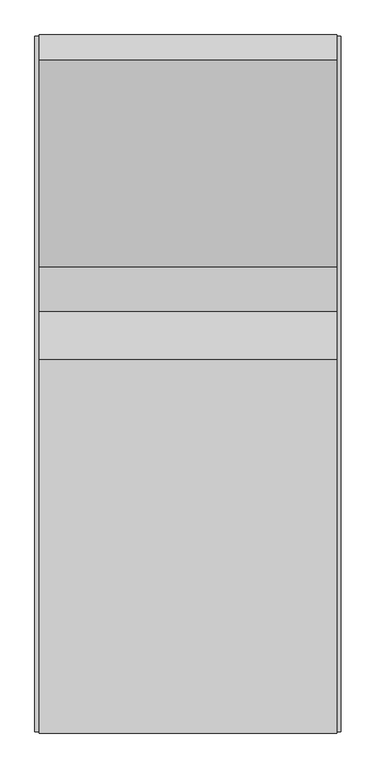
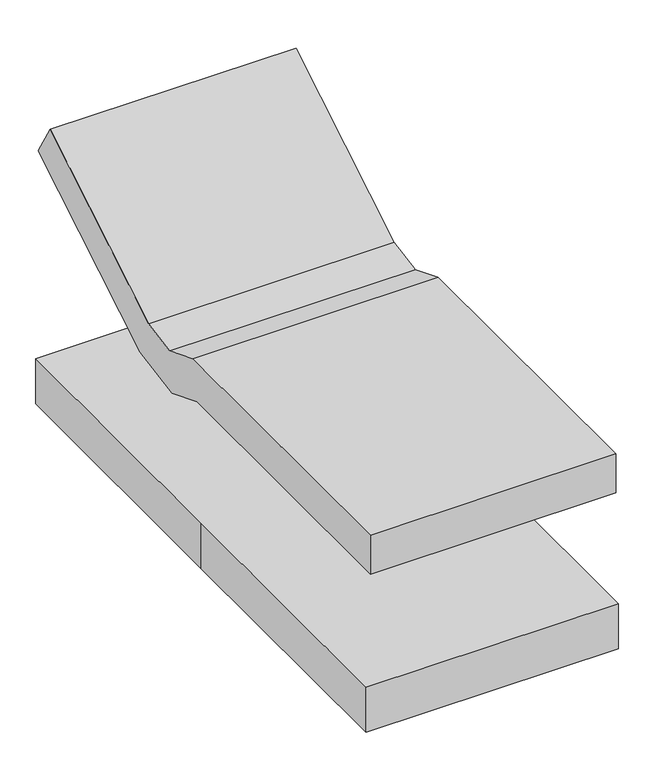
"""IFC4 building model written with IfcOpenShell, lengths in millimetres: proxy geometry."""

import ifcopenshell
import ifcopenshell.guid

model = None  # the IFC model being written
_history = None  # IfcOwnerHistory: only IFC2X3 demands one
_inside = {}  # id of a spatial element -> (the spatial element, [elements in it])
_under = {}  # id of a project, library or spatial element -> (it, [spatial elements below it])
_declared = {}  # id of a project -> (the project, [libraries it declares])
_typed = {}  # id of a type object -> (the type object, [elements of that type])
_made_of = {}  # id of a material, layer set ... -> (it, [elements and type objects made of it])


def new_model(schema):
    """Start an empty IFC model of exactly this schema.

    Asked for "IFC4X3", IfcOpenShell would pick the latest addendum, in which some entities
    have other attributes; the version numbers below select the first issue.
    IFC2X3 requires an IfcOwnerHistory on every rooted entity: one is made here for all.
    """
    global model, _history
    if schema == "IFC4X3":
        model = ifcopenshell.file(schema_version=(4, 3, 0, 0))
    else:
        model = ifcopenshell.file(schema=schema)
    _inside.clear()
    _under.clear()
    _declared.clear()
    _typed.clear()
    _made_of.clear()
    _history = None
    if model.schema == "IFC2X3":
        org = make("IfcOrganization", Name="unknown")
        user = make(
            "IfcPersonAndOrganization",
            ThePerson=make("IfcPerson", FamilyName="unknown"),
            TheOrganization=org,
        )
        app = make(
            "IfcApplication",
            ApplicationDeveloper=org,
            Version="unknown",
            ApplicationFullName="unknown",
            ApplicationIdentifier="unknown",
        )
        _history = make(
            "IfcOwnerHistory",
            OwningUser=user,
            OwningApplication=app,
            ChangeAction="ADDED",
            CreationDate=0,
        )
    return model


def make(cls, **values):
    """One entity of the class cls with the attributes given. An attribute that is None is left unset."""
    return model.create_entity(
        cls, **{name: value for name, value in values.items() if value is not None}
    )


def rooted(cls, **values):
    """An entity with a GlobalId (a new one), such as an element, a storey or a relation."""
    return make(cls, GlobalId=ifcopenshell.guid.new(), OwnerHistory=_history, **values)


def si_unit(unit_type, name, prefix=None):
    """IfcSIUnit, for example si_unit("LENGTHUNIT", "METRE", prefix="MILLI")."""
    return make("IfcSIUnit", UnitType=unit_type, Prefix=prefix, Name=name)


def assignment(units):
    """IfcUnitAssignment: the units of a project."""
    return None if units is None else make("IfcUnitAssignment", Units=units)


def point(xyz):
    """IfcCartesianPoint."""
    return None if xyz is None else make("IfcCartesianPoint", Coordinates=xyz)


def direction(xyz):
    """IfcDirection."""
    return None if xyz is None else make("IfcDirection", DirectionRatios=xyz)


def frame(location, z_axis=None, x_axis=None):
    """IfcAxis2Placement3D, a coordinate frame: its origin and axes. An axis left out is left unset."""
    return make(
        "IfcAxis2Placement3D",
        Location=point(location),
        Axis=direction(z_axis),
        RefDirection=direction(x_axis),
    )


def origin():
    """The frame at (0, 0, 0) with its axes left unset."""
    return frame((0.0, 0.0, 0.0))


def origin_with_axes():
    """The frame at (0, 0, 0) with the z axis (0, 0, 1) and the x axis (1, 0, 0) written out."""
    return frame((0.0, 0.0, 0.0), z_axis=(0.0, 0.0, 1.0), x_axis=(1.0, 0.0, 0.0))


def place(relative_to, where):
    """IfcLocalPlacement: puts the frame where relative to a parent placement (None: the world)."""
    return make(
        "IfcLocalPlacement", PlacementRelTo=relative_to, RelativePlacement=where
    )


def context(
    kind, dimensions, precision=None, world=None, true_north=None, identifier=None
):
    """IfcGeometricRepresentationContext, for example the 3D "Model" context."""
    return make(
        "IfcGeometricRepresentationContext",
        ContextIdentifier=identifier,
        ContextType=kind,
        CoordinateSpaceDimension=dimensions,
        Precision=precision,
        WorldCoordinateSystem=world,
        TrueNorth=true_north,
    )


def project(units=None, contexts=None):
    """IfcProject with its units and contexts."""
    return rooted(
        "IfcProject",
        Name="project",
        RepresentationContexts=contexts,
        UnitsInContext=assignment(units),
    )


def spatial(cls, under=None, at=None, **own):
    """A site, building, storey or space (cls), placed at a placement, below another one or the project."""
    s = rooted(cls, ObjectPlacement=at, **own)
    if under is not None:
        _under.setdefault(under.id(), (under, []))[1].append(s)
    return s


def polyline(points):
    """IfcPolyline through the points."""
    return make("IfcPolyline", Points=[point(p) for p in points])


def outline(outer, holes=None, kind="AREA"):
    """IfcArbitraryClosedProfileDef: a profile drawn as a closed curve; with holes, ...WithVoids."""
    if holes is None:
        return make("IfcArbitraryClosedProfileDef", ProfileType=kind, OuterCurve=outer)
    return make(
        "IfcArbitraryProfileDefWithVoids",
        ProfileType=kind,
        OuterCurve=outer,
        InnerCurves=holes,
    )


def extrude(swept, where, along, depth):
    """IfcExtrudedAreaSolid: the profile swept, set in the frame where, extruded along a direction by depth."""
    return make(
        "IfcExtrudedAreaSolid",
        SweptArea=swept,
        Position=where,
        ExtrudedDirection=direction(along),
        Depth=depth,
    )


def shape(context_of_items, identifier, shape_type, items):
    """IfcShapeRepresentation: the items that make up one representation, for example the "Body"."""
    return make(
        "IfcShapeRepresentation",
        ContextOfItems=context_of_items,
        RepresentationIdentifier=identifier,
        RepresentationType=shape_type,
        Items=items,
    )


def source(mapping_origin, context_of_items, identifier, shape_type, items):
    """IfcRepresentationMap: a shape defined once, which mapped items show again and again."""
    return make(
        "IfcRepresentationMap",
        MappingOrigin=mapping_origin,
        MappedRepresentation=shape(context_of_items, identifier, shape_type, items),
    )


def transform(
    local_origin,
    x_axis=None,
    y_axis=None,
    z_axis=None,
    scale=None,
    scale2=None,
    scale3=None,
    uniform=True,
):
    """IfcCartesianTransformationOperator3D, or its non-uniform kind. x_axis, y_axis, z_axis: its Axis1, 2, 3."""
    if uniform:
        return make(
            "IfcCartesianTransformationOperator3D",
            Axis1=direction(x_axis),
            Axis2=direction(y_axis),
            LocalOrigin=point(local_origin),
            Scale=scale,
            Axis3=direction(z_axis),
        )
    return make(
        "IfcCartesianTransformationOperator3DnonUniform",
        Axis1=direction(x_axis),
        Axis2=direction(y_axis),
        LocalOrigin=point(local_origin),
        Scale=scale,
        Axis3=direction(z_axis),
        Scale2=scale2,
        Scale3=scale3,
    )


def mapped(mapping_source, mapping_target):
    """IfcMappedItem: shows the shape of a source again, moved by a transform."""
    return make(
        "IfcMappedItem", MappingSource=mapping_source, MappingTarget=mapping_target
    )


def made_of(thing, what):
    """Note that an element or type object is made of a material, layer set ...; save() writes the relation."""
    if what is not None:
        _made_of.setdefault(what.id(), (what, []))[1].append(thing)
    return thing


def element(
    cls,
    number,
    at=None,
    inside=None,
    cuts=None,
    type_object=None,
    material=None,
    context=None,
    identifier="Body",
    shape_type=None,
    held_by="IfcProductDefinitionShape",
    body=None,
    shapes=None,
    **own,
):
    """One element of the class cls, such as IfcWall. Its Tag is "e" and its number.

    at: its placement. inside: the storey or other place that contains it. cuts: it is an
    opening in that element (IfcRelVoidsElement). A single representation is given by context,
    identifier, shape_type and body (its items); several are given by shapes. held_by: the class
    of the entity that holds the representations. save() writes the other relations.
    """
    e = rooted(cls, Tag="e%d" % number, ObjectPlacement=at, **own)
    if body is not None:
        shapes = [shape(context, identifier, shape_type, body)]
    if shapes is not None:
        e.Representation = make(held_by, Representations=shapes)
    if inside is not None:
        _inside.setdefault(inside.id(), (inside, []))[1].append(e)
    if cuts is not None:
        rooted(
            "IfcRelVoidsElement", RelatingBuildingElement=cuts, RelatedOpeningElement=e
        )
    if type_object is not None:
        _typed.setdefault(type_object.id(), (type_object, []))[1].append(e)
    return made_of(e, material)


def aggregate(whole, parts):
    """IfcRelAggregates: a whole, such as a stair, and the parts it consists of."""
    return rooted("IfcRelAggregates", RelatingObject=whole, RelatedObjects=parts)


def save(model, path):
    """Write the relations noted so far, then the file.

    IfcRelAggregates (storeys below a building ...), IfcRelContainedInSpatialStructure (elements
    in a storey), IfcRelDefinesByType, IfcRelAssociatesMaterial and IfcRelDeclares: one each for
    every whole, place, type object, material and project.
    """
    for whole, parts in _under.values():
        aggregate(whole, parts)
    for where, things in _inside.values():
        rooted(
            "IfcRelContainedInSpatialStructure",
            RelatedElements=things,
            RelatingStructure=where,
        )
    for kind, things in _typed.values():
        rooted("IfcRelDefinesByType", RelatedObjects=things, RelatingType=kind)
    for what, things in _made_of.values():
        rooted("IfcRelAssociatesMaterial", RelatedObjects=things, RelatingMaterial=what)
    for by, libraries in _declared.values():
        rooted("IfcRelDeclares", RelatingContext=by, RelatedDefinitions=libraries)
    model.write(path)


def specialty_equipment_fde20e22(model_context):
    return source(origin(), model_context, "Body", "SweptSolid", [
        extrude(outline(polyline([(46.7880485, 621.3510043), (-1070.8119515, 621.3510043), (-1070.8119515, 773.7510043), (76.013804, 773.7510043), (222.4258933, 715.4521116), (359.5657775, 739.6335733), (992.3201489, 1119.8307566), (1070.8119515, 989.19846), (413.846315, 594.4536809), (206.2622208, 557.8510043), (46.7880485, 621.3510043)])), frame((-457.2, 0.0, 0.0), z_axis=(1.0, 0.0, 0.0), x_axis=(0.0, 1.0, 0.0)), (0.0, 0.0, 1.0), 914.4),
        extrude(outline(polyline([(-469.9, 1066.8), (469.9, 1066.8), (469.9, -1066.8), (-469.9, -1066.8), (-469.9, 0.0), (-469.9, 1066.8)])), origin_with_axes(), (0.0, 0.0, 1.0), 177.8),
    ])


if __name__ == "__main__":
    model = new_model("IFC4")
    model_context = context("Model", 3, world=origin())
    ifc_project = project(units=[si_unit("LENGTHUNIT", "METRE", prefix="MILLI")], contexts=[model_context])
    site = spatial("IfcSite", under=ifc_project)
    building = spatial("IfcBuilding", under=site)
    placement = place(None, origin())
    specialty_equipment_shape = specialty_equipment_fde20e22(model_context)
    element("IfcBuildingElementProxy", 1, Name="Specialty Equipment", at=placement, inside=building, context=model_context, shape_type="MappedRepresentation", body=[
        mapped(specialty_equipment_shape, transform((0.0, 0.0, 0.0), x_axis=(1.0, 0.0, 0.0), y_axis=(0.0, 1.0, 0.0), z_axis=(0.0, 0.0, 1.0))),
    ])
    save(model, "model.ifc")
